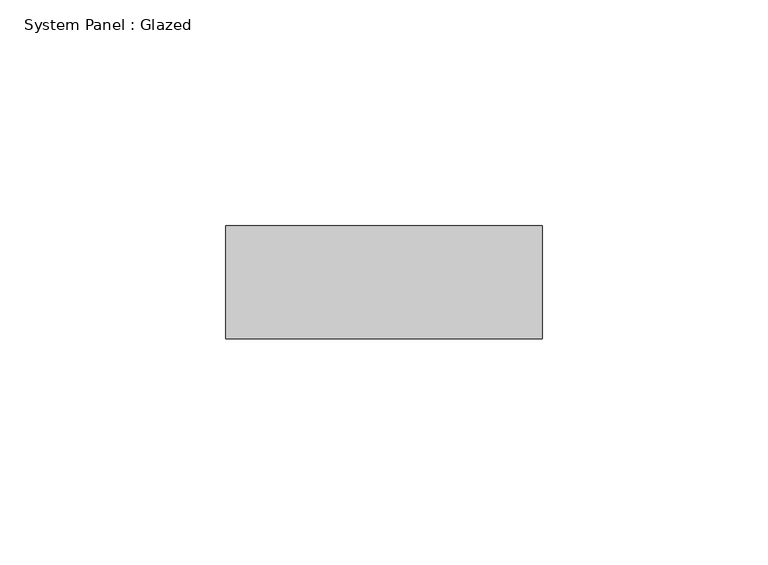
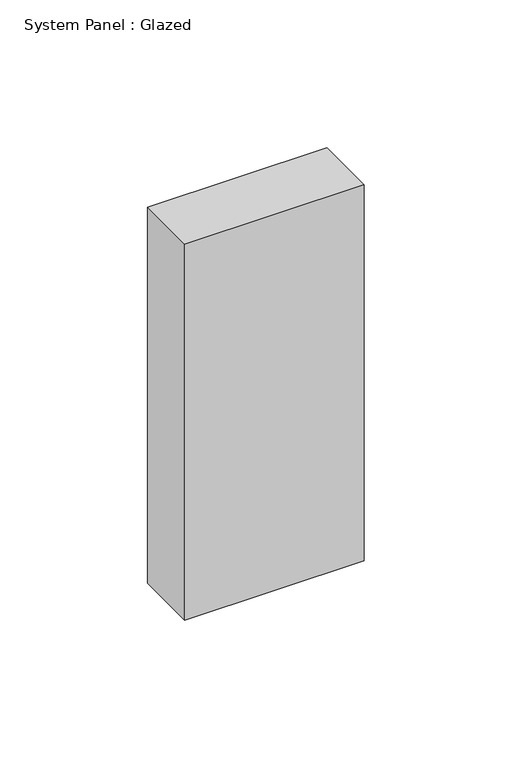
"""IFC4 building model written with IfcOpenShell, lengths in millimetres: plate geometry, System Panel : Glazed."""

from ifc_helpers import new_model, si_unit, origin, origin_with_axes, place, context, project, spatial, polyline, outline, extrude, source, transform, mapped, element, save


def system_panel_glazed_dbe868fd(model_context):
    return source(origin(), model_context, "Body", "SweptSolid", [
        extrude(outline(polyline([(35.0, 24.5), (-35.0, 24.5), (-35.0, 49.5), (35.0, 49.5), (35.0, 24.5)])), origin_with_axes(), (0.0, 0.0, 1.0), 155.0),
    ])


if __name__ == "__main__":
    model = new_model("IFC4")
    model_context = context("Model", 3, world=origin())
    ifc_project = project(units=[si_unit("LENGTHUNIT", "METRE", prefix="MILLI")], contexts=[model_context])
    site = spatial("IfcSite", under=ifc_project)
    building = spatial("IfcBuilding", under=site)
    placement = place(None, origin())
    system_panel_glazed_shape = system_panel_glazed_dbe868fd(model_context)
    element("IfcPlate", 1, ObjectType="System Panel : Glazed", at=placement, inside=building, context=model_context, shape_type="MappedRepresentation", body=[
        mapped(system_panel_glazed_shape, transform((0.0, 0.0, 0.0), x_axis=(1.0, 0.0, 0.0), y_axis=(0.0, 1.0, 0.0), z_axis=(0.0, 0.0, 1.0))),
    ])
    save(model, "model.ifc")
